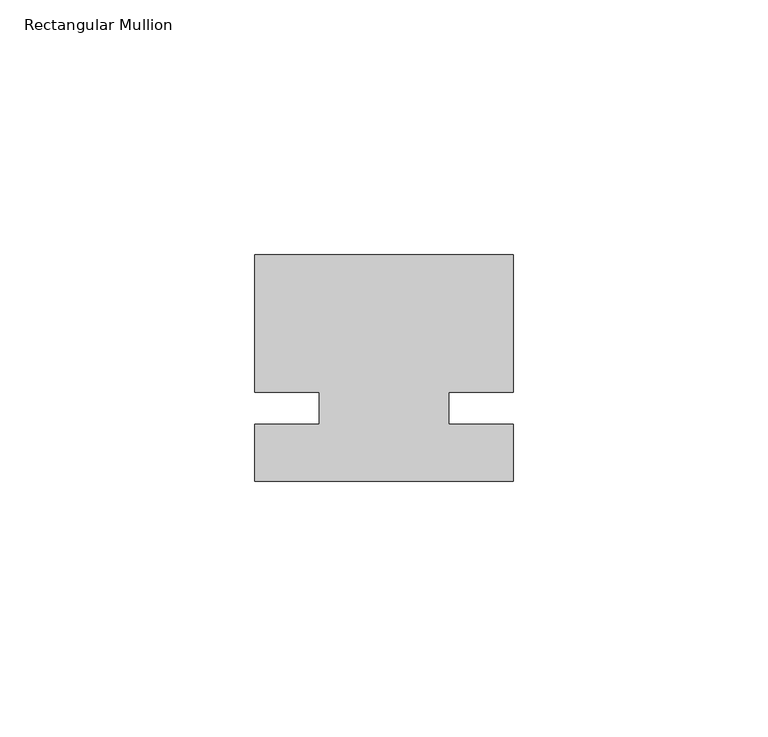
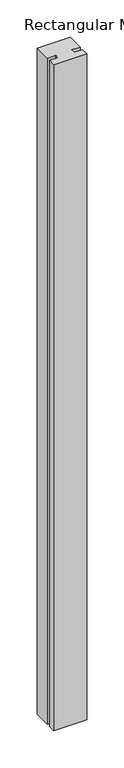
"""IFC4 building model written with IfcOpenShell, lengths in millimetres: member geometry, Rectangular Mullion."""

from ifc_helpers import new_model, si_unit, frame, origin, place, context, project, spatial, polyline, outline, extrude, source, transform, mapped, element, save


def rectangular_mullion_58c7db39(model_context):
    return source(origin(), model_context, "Body", "SweptSolid", [
        extrude(outline(polyline([(29.7344027, 30.1625), (29.7344027, 3.175), (17.0326322, 3.175), (17.0326322, -3.175), (29.7344027, -3.175), (29.7344027, -14.2875), (-21.0655973, -14.2875), (-21.0655973, -3.175), (-8.3655973, -3.175), (-8.3655973, 3.175), (-21.0655973, 3.175), (-21.0655973, 30.1625), (29.7344027, 30.1625)])), frame((0.0, 0.0, -1091.0405973), z_axis=(0.0, 0.0, 1.0), x_axis=(1.0, 0.0, 0.0)), (0.0, 0.0, 1.0), 1091.0405973),
    ])


if __name__ == "__main__":
    model = new_model("IFC4")
    model_context = context("Model", 3, world=origin())
    ifc_project = project(units=[si_unit("LENGTHUNIT", "METRE", prefix="MILLI")], contexts=[model_context])
    site = spatial("IfcSite", under=ifc_project)
    building = spatial("IfcBuilding", under=site)
    placement = place(None, origin())
    rectangular_mullion_shape = rectangular_mullion_58c7db39(model_context)
    element("IfcMember", 1, ObjectType="Rectangular Mullion", at=placement, inside=building, context=model_context, shape_type="MappedRepresentation", body=[
        mapped(rectangular_mullion_shape, transform((0.0, 0.0, 0.0), x_axis=(1.0, 0.0, 0.0), y_axis=(0.0, 1.0, 0.0), z_axis=(0.0, 0.0, 1.0))),
    ])
    save(model, "model.ifc")
